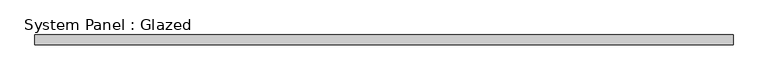
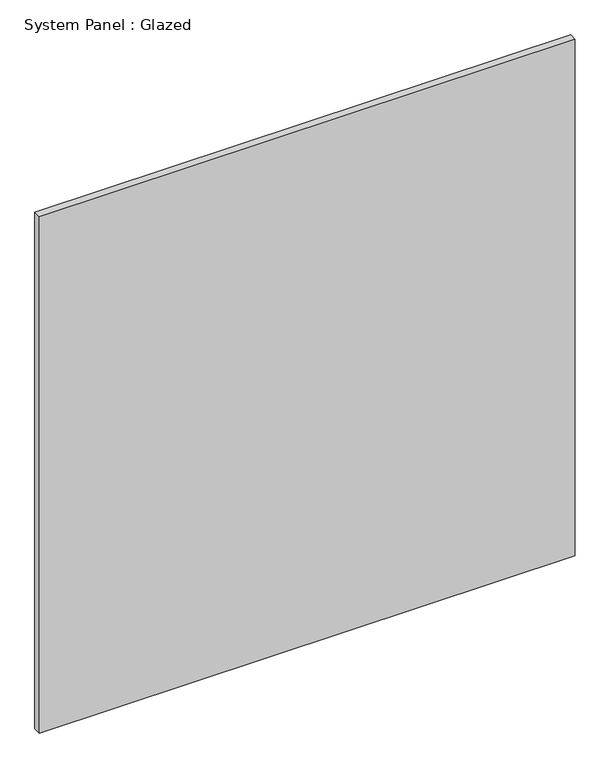
"""IFC4 building model written with IfcOpenShell, lengths in millimetres: plate geometry, System Panel : Glazed."""

import ifcopenshell
import ifcopenshell.guid

model = None  # the IFC model being written
_history = None  # IfcOwnerHistory: only IFC2X3 demands one
_inside = {}  # id of a spatial element -> (the spatial element, [elements in it])
_under = {}  # id of a project, library or spatial element -> (it, [spatial elements below it])
_declared = {}  # id of a project -> (the project, [libraries it declares])
_typed = {}  # id of a type object -> (the type object, [elements of that type])
_made_of = {}  # id of a material, layer set ... -> (it, [elements and type objects made of it])


def new_model(schema):
    """Start an empty IFC model of exactly this schema.

    Asked for "IFC4X3", IfcOpenShell would pick the latest addendum, in which some entities
    have other attributes; the version numbers below select the first issue.
    IFC2X3 requires an IfcOwnerHistory on every rooted entity: one is made here for all.
    """
    global model, _history
    if schema == "IFC4X3":
        model = ifcopenshell.file(schema_version=(4, 3, 0, 0))
    else:
        model = ifcopenshell.file(schema=schema)
    _inside.clear()
    _under.clear()
    _declared.clear()
    _typed.clear()
    _made_of.clear()
    _history = None
    if model.schema == "IFC2X3":
        org = make("IfcOrganization", Name="unknown")
        user = make(
            "IfcPersonAndOrganization",
            ThePerson=make("IfcPerson", FamilyName="unknown"),
            TheOrganization=org,
        )
        app = make(
            "IfcApplication",
            ApplicationDeveloper=org,
            Version="unknown",
            ApplicationFullName="unknown",
            ApplicationIdentifier="unknown",
        )
        _history = make(
            "IfcOwnerHistory",
            OwningUser=user,
            OwningApplication=app,
            ChangeAction="ADDED",
            CreationDate=0,
        )
    return model


def make(cls, **values):
    """One entity of the class cls with the attributes given. An attribute that is None is left unset."""
    return model.create_entity(
        cls, **{name: value for name, value in values.items() if value is not None}
    )


def rooted(cls, **values):
    """An entity with a GlobalId (a new one), such as an element, a storey or a relation."""
    return make(cls, GlobalId=ifcopenshell.guid.new(), OwnerHistory=_history, **values)


def si_unit(unit_type, name, prefix=None):
    """IfcSIUnit, for example si_unit("LENGTHUNIT", "METRE", prefix="MILLI")."""
    return make("IfcSIUnit", UnitType=unit_type, Prefix=prefix, Name=name)


def assignment(units):
    """IfcUnitAssignment: the units of a project."""
    return None if units is None else make("IfcUnitAssignment", Units=units)


def point(xyz):
    """IfcCartesianPoint."""
    return None if xyz is None else make("IfcCartesianPoint", Coordinates=xyz)


def direction(xyz):
    """IfcDirection."""
    return None if xyz is None else make("IfcDirection", DirectionRatios=xyz)


def frame(location, z_axis=None, x_axis=None):
    """IfcAxis2Placement3D, a coordinate frame: its origin and axes. An axis left out is left unset."""
    return make(
        "IfcAxis2Placement3D",
        Location=point(location),
        Axis=direction(z_axis),
        RefDirection=direction(x_axis),
    )


def origin():
    """The frame at (0, 0, 0) with its axes left unset."""
    return frame((0.0, 0.0, 0.0))


def origin_with_axes():
    """The frame at (0, 0, 0) with the z axis (0, 0, 1) and the x axis (1, 0, 0) written out."""
    return frame((0.0, 0.0, 0.0), z_axis=(0.0, 0.0, 1.0), x_axis=(1.0, 0.0, 0.0))


def place(relative_to, where):
    """IfcLocalPlacement: puts the frame where relative to a parent placement (None: the world)."""
    return make(
        "IfcLocalPlacement", PlacementRelTo=relative_to, RelativePlacement=where
    )


def context(
    kind, dimensions, precision=None, world=None, true_north=None, identifier=None
):
    """IfcGeometricRepresentationContext, for example the 3D "Model" context."""
    return make(
        "IfcGeometricRepresentationContext",
        ContextIdentifier=identifier,
        ContextType=kind,
        CoordinateSpaceDimension=dimensions,
        Precision=precision,
        WorldCoordinateSystem=world,
        TrueNorth=true_north,
    )


def project(units=None, contexts=None):
    """IfcProject with its units and contexts."""
    return rooted(
        "IfcProject",
        Name="project",
        RepresentationContexts=contexts,
        UnitsInContext=assignment(units),
    )


def spatial(cls, under=None, at=None, **own):
    """A site, building, storey or space (cls), placed at a placement, below another one or the project."""
    s = rooted(cls, ObjectPlacement=at, **own)
    if under is not None:
        _under.setdefault(under.id(), (under, []))[1].append(s)
    return s


def polyline(points):
    """IfcPolyline through the points."""
    return make("IfcPolyline", Points=[point(p) for p in points])


def outline(outer, holes=None, kind="AREA"):
    """IfcArbitraryClosedProfileDef: a profile drawn as a closed curve; with holes, ...WithVoids."""
    if holes is None:
        return make("IfcArbitraryClosedProfileDef", ProfileType=kind, OuterCurve=outer)
    return make(
        "IfcArbitraryProfileDefWithVoids",
        ProfileType=kind,
        OuterCurve=outer,
        InnerCurves=holes,
    )


def extrude(swept, where, along, depth):
    """IfcExtrudedAreaSolid: the profile swept, set in the frame where, extruded along a direction by depth."""
    return make(
        "IfcExtrudedAreaSolid",
        SweptArea=swept,
        Position=where,
        ExtrudedDirection=direction(along),
        Depth=depth,
    )


def shape(context_of_items, identifier, shape_type, items):
    """IfcShapeRepresentation: the items that make up one representation, for example the "Body"."""
    return make(
        "IfcShapeRepresentation",
        ContextOfItems=context_of_items,
        RepresentationIdentifier=identifier,
        RepresentationType=shape_type,
        Items=items,
    )


def source(mapping_origin, context_of_items, identifier, shape_type, items):
    """IfcRepresentationMap: a shape defined once, which mapped items show again and again."""
    return make(
        "IfcRepresentationMap",
        MappingOrigin=mapping_origin,
        MappedRepresentation=shape(context_of_items, identifier, shape_type, items),
    )


def transform(
    local_origin,
    x_axis=None,
    y_axis=None,
    z_axis=None,
    scale=None,
    scale2=None,
    scale3=None,
    uniform=True,
):
    """IfcCartesianTransformationOperator3D, or its non-uniform kind. x_axis, y_axis, z_axis: its Axis1, 2, 3."""
    if uniform:
        return make(
            "IfcCartesianTransformationOperator3D",
            Axis1=direction(x_axis),
            Axis2=direction(y_axis),
            LocalOrigin=point(local_origin),
            Scale=scale,
            Axis3=direction(z_axis),
        )
    return make(
        "IfcCartesianTransformationOperator3DnonUniform",
        Axis1=direction(x_axis),
        Axis2=direction(y_axis),
        LocalOrigin=point(local_origin),
        Scale=scale,
        Axis3=direction(z_axis),
        Scale2=scale2,
        Scale3=scale3,
    )


def mapped(mapping_source, mapping_target):
    """IfcMappedItem: shows the shape of a source again, moved by a transform."""
    return make(
        "IfcMappedItem", MappingSource=mapping_source, MappingTarget=mapping_target
    )


def made_of(thing, what):
    """Note that an element or type object is made of a material, layer set ...; save() writes the relation."""
    if what is not None:
        _made_of.setdefault(what.id(), (what, []))[1].append(thing)
    return thing


def element(
    cls,
    number,
    at=None,
    inside=None,
    cuts=None,
    type_object=None,
    material=None,
    context=None,
    identifier="Body",
    shape_type=None,
    held_by="IfcProductDefinitionShape",
    body=None,
    shapes=None,
    **own,
):
    """One element of the class cls, such as IfcWall. Its Tag is "e" and its number.

    at: its placement. inside: the storey or other place that contains it. cuts: it is an
    opening in that element (IfcRelVoidsElement). A single representation is given by context,
    identifier, shape_type and body (its items); several are given by shapes. held_by: the class
    of the entity that holds the representations. save() writes the other relations.
    """
    e = rooted(cls, Tag="e%d" % number, ObjectPlacement=at, **own)
    if body is not None:
        shapes = [shape(context, identifier, shape_type, body)]
    if shapes is not None:
        e.Representation = make(held_by, Representations=shapes)
    if inside is not None:
        _inside.setdefault(inside.id(), (inside, []))[1].append(e)
    if cuts is not None:
        rooted(
            "IfcRelVoidsElement", RelatingBuildingElement=cuts, RelatedOpeningElement=e
        )
    if type_object is not None:
        _typed.setdefault(type_object.id(), (type_object, []))[1].append(e)
    return made_of(e, material)


def aggregate(whole, parts):
    """IfcRelAggregates: a whole, such as a stair, and the parts it consists of."""
    return rooted("IfcRelAggregates", RelatingObject=whole, RelatedObjects=parts)


def save(model, path):
    """Write the relations noted so far, then the file.

    IfcRelAggregates (storeys below a building ...), IfcRelContainedInSpatialStructure (elements
    in a storey), IfcRelDefinesByType, IfcRelAssociatesMaterial and IfcRelDeclares: one each for
    every whole, place, type object, material and project.
    """
    for whole, parts in _under.values():
        aggregate(whole, parts)
    for where, things in _inside.values():
        rooted(
            "IfcRelContainedInSpatialStructure",
            RelatedElements=things,
            RelatingStructure=where,
        )
    for kind, things in _typed.values():
        rooted("IfcRelDefinesByType", RelatedObjects=things, RelatingType=kind)
    for what, things in _made_of.values():
        rooted("IfcRelAssociatesMaterial", RelatedObjects=things, RelatingMaterial=what)
    for by, libraries in _declared.values():
        rooted("IfcRelDeclares", RelatingContext=by, RelatedDefinitions=libraries)
    model.write(path)


def system_panel_glazed_8331d6f5(model_context):
    return source(origin(), model_context, "Body", "SweptSolid", [
        extrude(outline(polyline([(882.65, 19.05), (-882.65, 19.05), (-882.65, 44.45), (882.65, 44.45), (882.65, 19.05)])), origin_with_axes(), (0.0, 0.0, 1.0), 1797.05),
    ])


if __name__ == "__main__":
    model = new_model("IFC4")
    model_context = context("Model", 3, world=origin())
    ifc_project = project(units=[si_unit("LENGTHUNIT", "METRE", prefix="MILLI")], contexts=[model_context])
    site = spatial("IfcSite", under=ifc_project)
    building = spatial("IfcBuilding", under=site)
    placement = place(None, origin())
    system_panel_glazed_shape = system_panel_glazed_8331d6f5(model_context)
    element("IfcPlate", 1, ObjectType="System Panel : Glazed", at=placement, inside=building, context=model_context, shape_type="MappedRepresentation", body=[
        mapped(system_panel_glazed_shape, transform((0.0, 0.0, 0.0), x_axis=(1.0, 0.0, 0.0), y_axis=(0.0, 1.0, 0.0), z_axis=(0.0, 0.0, 1.0))),
    ])
    save(model, "model.ifc")
